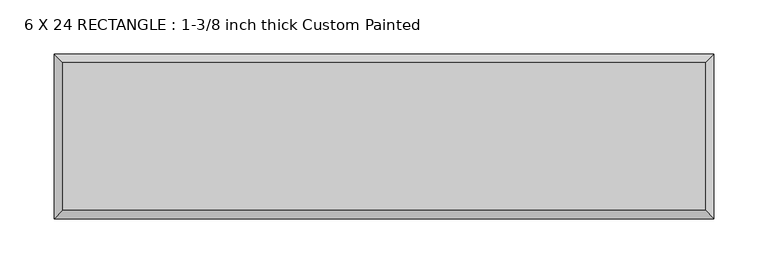
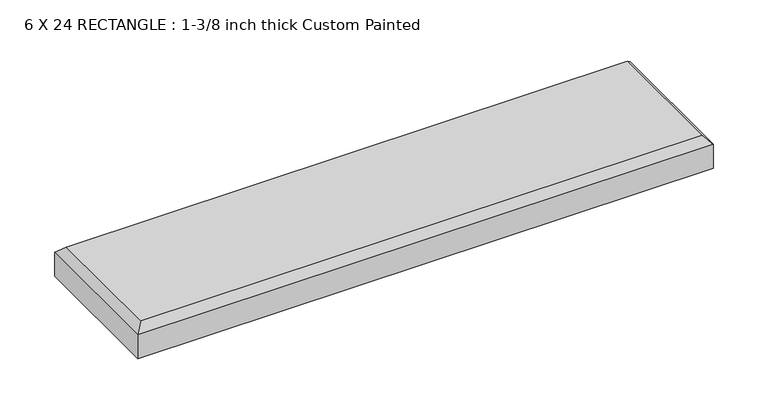
"""IFC4 building model written with IfcOpenShell, lengths in millimetres: proxy geometry, 6 X 24 RECTANGLE : 1-3/8 inch thick Custom Painted."""

from ifc_helpers import new_model, si_unit, origin, place, context, project, spatial, faceted_brep, source, transform, mapped, element, save


def proxy_6_x_24_rectangle_1_3_8_inch_thick_custom_painted_80ce65ac(model_context):
    return source(origin(), model_context, "Body", "Brep", [
        faceted_brep([(296.799, 68.199, 34.925), (-296.799, 68.199, 34.925), (-296.799, -68.199, 34.925), (296.799, -68.199, 34.925), (-304.8, 76.2, 0.0), (304.8, 76.2, 0.0), (304.8, -76.2, 0.0), (-304.8, -76.2, 0.0), (-304.8, -76.2, 26.924), (-304.8, 76.2, 26.924), (304.8, -76.2, 26.924), (304.8, 76.2, 26.924)], [[[0, 1, 2, 3]], [[4, 5, 6, 7]], [[4, 7, 8, 9]], [[7, 6, 10, 8]], [[6, 5, 11, 10]], [[5, 4, 9, 11]], [[9, 1, 0, 11]], [[1, 9, 8, 2]], [[2, 8, 10, 3]], [[11, 0, 3, 10]]]),
    ])


if __name__ == "__main__":
    model = new_model("IFC4")
    model_context = context("Model", 3, world=origin())
    ifc_project = project(units=[si_unit("LENGTHUNIT", "METRE", prefix="MILLI")], contexts=[model_context])
    site = spatial("IfcSite", under=ifc_project)
    building = spatial("IfcBuilding", under=site)
    placement = place(None, origin())
    proxy_6_x_24_rectangle_1_3_8_inch_thick_custom_painted_shape = proxy_6_x_24_rectangle_1_3_8_inch_thick_custom_painted_80ce65ac(model_context)
    element("IfcBuildingElementProxy", 1, Name="6 X 24 RECTANGLE : 1-3/8 inch thick Custom Painted", ObjectType="6 X 24 RECTANGLE : 1-3/8 inch thick Custom Painted", at=placement, inside=building, context=model_context, shape_type="MappedRepresentation", body=[
        mapped(proxy_6_x_24_rectangle_1_3_8_inch_thick_custom_painted_shape, transform((0.0, 0.0, 0.0), x_axis=(1.0, 0.0, 0.0), y_axis=(0.0, 1.0, 0.0), z_axis=(0.0, 0.0, 1.0))),
    ])
    save(model, "model.ifc")
